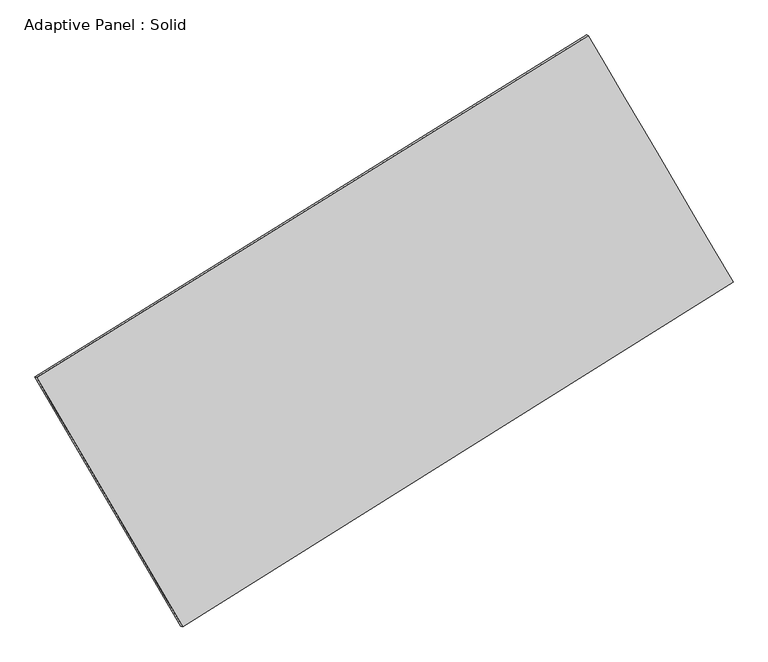
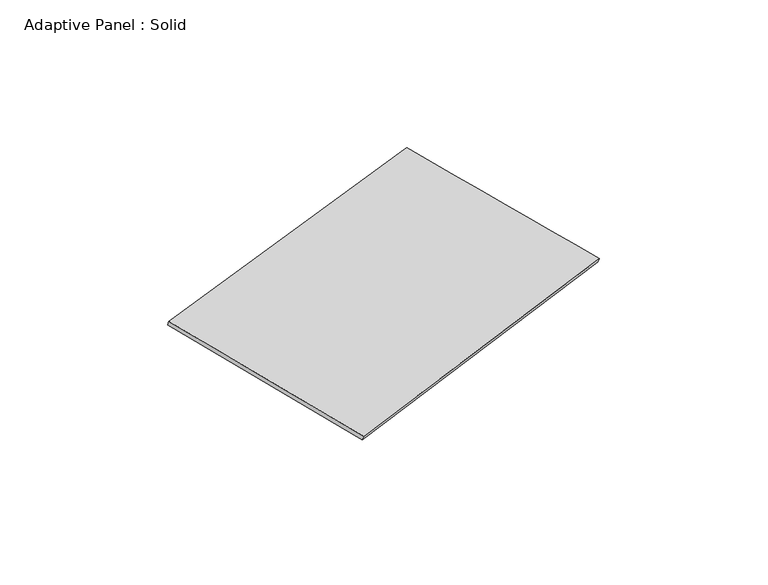
"""IFC4 building model written with IfcOpenShell, lengths in millimetres: plate geometry, Adaptive Panel : Solid."""

from ifc_helpers import new_model, si_unit, frame, origin, place, context, project, spatial, source, transform, mapped, element, save
from ifc_brep_helpers import plane_surface, spline_surface, advanced_brep


def adaptive_panel_solid_205d8d2d(model_context):
    return source(origin(), model_context, "Body", "AdvancedBrep", [
        advanced_brep(
        [(1157.4583052, 2527.6834755, 656.8751189), (-3754.0748432, -519.0626436, 1783.9517581), (-3739.4084874, -525.4427371, 1831.3246662), (1172.124661, 2521.3033821, 704.2480269), (-2454.0258259, -2741.015725, 1065.5065083), (-2439.35947, -2747.3958184, 1112.8794163), (2447.3517858, 332.1463202, -21.210865), (2462.0181416, 325.7662268, 26.162043)],
        [
            (0, 1),
            (1, 2),
            (2, 3),
            (3, 0),
            (1, 4),
            (4, 5),
            (5, 2),
            (4, 6),
            (6, 7),
            (7, 5),
            (6, 0),
            (3, 7),
        ],
        [
            plane_surface(frame((-1298.308269, 1004.3104159, 1220.4134385), z_axis=(-0.46578765864780414, 0.8463906196892661, 0.25819522837073755), x_axis=(-0.834068695207023, -0.5173935476873851, 0.1913983502727128))),
            plane_surface(frame((-3104.0503345, -1630.0391843, 1424.7291332), z_axis=(-0.8219832898121674, -0.5397173901156676, 0.18179276684262968), x_axis=(0.4864164573405151, -0.8313490735797724, -0.2688080130620311))),
            plane_surface(frame((-3.33702, -1204.4347024, 522.1478216), z_axis=(0.4710981915514753, -0.8430786538968886, -0.25939328684516894), x_axis=(0.8326724117890368, 0.5220853104497283, -0.184617396953916))),
            plane_surface(frame((1802.4050455, 1429.9148979, 317.8321269), z_axis=(0.8222476320176562, 0.5392665088513329, -0.1819353293691276), x_axis=(-0.48949550061657177, 0.8331738822837537, 0.25732360318546343))),
            spline_surface(1, 1, [[(-3739.4084874, -525.4427371, 1831.3246662), (1172.124661, 2521.3033821, 704.2480269)], [(-2439.35947, -2747.3958184, 1112.8794163), (2462.0181416, 325.7662268, 26.162043)]], [2, 2], [2, 2], [0.0, 1.0], [0.0, 1.0]),
            spline_surface(1, 1, [[(2447.3517858, 332.1463202, -21.210865), (1157.4583052, 2527.6834755, 656.8751189)], [(-2454.0258259, -2741.015725, 1065.5065083), (-3754.0748432, -519.0626436, 1783.9517581)]], [2, 2], [2, 2], [0.0, 1.0], [0.0, 1.0]),
        ],
        [
            (0, [[1, 2, 3, 4]]),
            (1, [[5, 6, 7, -2]]),
            (2, [[8, 9, 10, -6]]),
            (3, [[11, -4, 12, -9]]),
            (4, [[-3, -7, -10, -12]]),
            (5, [[-11, -8, -5, -1]]),
        ],
    ),
    ])


if __name__ == "__main__":
    model = new_model("IFC4")
    model_context = context("Model", 3, world=origin())
    ifc_project = project(units=[si_unit("LENGTHUNIT", "METRE", prefix="MILLI")], contexts=[model_context])
    site = spatial("IfcSite", under=ifc_project)
    building = spatial("IfcBuilding", under=site)
    placement = place(None, origin())
    adaptive_panel_solid_shape = adaptive_panel_solid_205d8d2d(model_context)
    element("IfcPlate", 1, ObjectType="Adaptive Panel : Solid", at=placement, inside=building, context=model_context, shape_type="MappedRepresentation", body=[
        mapped(adaptive_panel_solid_shape, transform((0.0, 0.0, 0.0), x_axis=(1.0, 0.0, 0.0), y_axis=(0.0, 1.0, 0.0), z_axis=(0.0, 0.0, 1.0))),
    ])
    save(model, "model.ifc")
